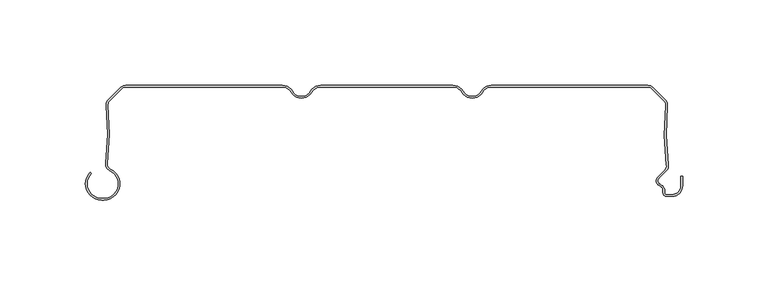
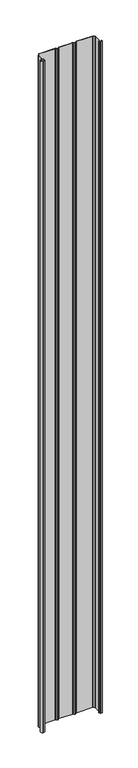
"""IFC4 building model written with IfcOpenShell, lengths in millimetres: plate geometry."""

from ifc_helpers import new_model, si_unit, point, frame_2d, origin, origin_with_axes, place, context, project, spatial, polyline, circle_curve, trimmed, segment, composite_curve, outline, extrude, source, transform, mapped, element, save


def plate_f50256ed(model_context):
    return source(origin(), model_context, "Body", "SweptSolid", [
        extrude(outline(composite_curve([segment(polyline([(-167.0602536, -66.1554676), (-165.8062536, -66.1554676)]), True, "CONTINUOUS"), segment(trimmed(circle_curve(frame_2d((-165.8062536, -57.6554676)), 8.5), [point((-165.8062536, -66.1554676))], [point((-162.2922983, -49.9158218))], True, "CARTESIAN"), True, "CONTINUOUS"), segment(trimmed(circle_curve(frame_2d((-160.5973316, -46.1825808)), 4.1), [point((-162.2922983, -49.9158218))], [point((-164.6663398, -45.6794186))], False, "CARTESIAN"), True, "CONTINUOUS"), segment(trimmed(circle_curve(frame_2d((-313.5324935, -27.2710429)), 150.0), [point((-164.6663398, -45.6794186))], [point((-164.32984, -11.8253904))], True, "CARTESIAN"), True, "CONTINUOUS"), segment(trimmed(circle_curve(frame_2d((-160.2516341, -11.4032093)), 4.1), [point((-164.32984, -11.8253904))], [point((-163.1507719, -8.5040715))], False, "CARTESIAN"), True, "CONTINUOUS"), segment(polyline([(-163.1507719, -8.5040715), (-155.8475626, -1.2008622)]), True, "CONTINUOUS"), segment(trimmed(circle_curve(frame_2d((-152.9484248, -4.1)), 4.1), [point((-155.8475626, -1.2008622))], [point((-152.9484248, 0.0))], False, "CARTESIAN"), True, "CONTINUOUS"), segment(polyline([(-152.9484248, 0.0), (-61.2583302, 0.0)]), True, "CONTINUOUS"), segment(trimmed(circle_curve(frame_2d((-61.2583302, -7.0)), 7.0), [point((-61.2583302, 0.0))], [point((-55.1961524, -3.5))], False, "CARTESIAN"), True, "CONTINUOUS"), segment(trimmed(circle_curve(frame_2d((-50.0, -0.5)), 6.0), [point((-55.1961524, -3.5))], [point((-50.0, -6.5))], True, "CARTESIAN"), True, "CONTINUOUS"), segment(trimmed(circle_curve(frame_2d((-50.0, -0.5)), 6.0), [point((-50.0, -6.5))], [point((-44.8038476, -3.5))], True, "CARTESIAN"), True, "CONTINUOUS"), segment(trimmed(circle_curve(frame_2d((-38.7416698, -7.0)), 7.0), [point((-44.8038476, -3.5))], [point((-38.7416698, 0.0))], False, "CARTESIAN"), True, "CONTINUOUS"), segment(polyline([(-38.7416698, 0.0), (38.7416698, 0.0)]), True, "CONTINUOUS"), segment(trimmed(circle_curve(frame_2d((38.7416698, -7.0)), 7.0), [point((38.7416698, 0.0))], [point((44.8038476, -3.5))], False, "CARTESIAN"), True, "CONTINUOUS"), segment(trimmed(circle_curve(frame_2d((50.0, -0.5)), 6.0), [point((44.8038476, -3.5))], [point((50.0, -6.5))], True, "CARTESIAN"), True, "CONTINUOUS"), segment(trimmed(circle_curve(frame_2d((50.0, -0.5)), 6.0), [point((50.0, -6.5))], [point((55.1961524, -3.5))], True, "CARTESIAN"), True, "CONTINUOUS"), segment(trimmed(circle_curve(frame_2d((61.2583302, -7.0)), 7.0), [point((55.1961524, -3.5))], [point((61.2583302, 0.0))], False, "CARTESIAN"), True, "CONTINUOUS"), segment(polyline([(61.2583302, 0.0), (152.9484248, 0.0)]), True, "CONTINUOUS"), segment(trimmed(circle_curve(frame_2d((152.9484248, -4.1)), 4.1), [point((152.9484248, 0.0))], [point((155.8475626, -1.2008622))], False, "CARTESIAN"), True, "CONTINUOUS"), segment(polyline([(155.8475626, -1.2008622), (163.1502639, -8.5035635)]), True, "CONTINUOUS"), segment(trimmed(circle_curve(frame_2d((160.2511261, -11.4027013)), 4.1), [point((163.1502639, -8.5035635))], [point((164.3293418, -11.8247881))], False, "CARTESIAN"), True, "CONTINUOUS"), segment(trimmed(circle_curve(frame_2d((313.5323525, -27.2669893)), 150.0), [point((164.3293418, -11.8247881))], [point((164.7850442, -46.6122279))], True, "CARTESIAN"), True, "CONTINUOUS"), segment(trimmed(circle_curve(frame_2d((160.4914801, -47.1706247)), 4.3297228), [point((164.7850442, -46.6122279))], [point((163.4270442, -50.3532279))], False, "CARTESIAN"), True, "CONTINUOUS"), segment(polyline([(163.4270442, -50.3532279), (159.3931689, -54.3871033)]), True, "CONTINUOUS"), segment(trimmed(circle_curve(frame_2d((160.9488038, -55.9427382)), 2.2), [point((159.3931689, -54.3871033))], [point((160.1238712, -57.98222))], True, "CARTESIAN"), True, "CONTINUOUS"), segment(trimmed(circle_curve(frame_2d((158.549, -61.8757763)), 4.2), [point((160.1238712, -57.98222))], [point((162.749, -61.8757763))], False, "CARTESIAN"), True, "CONTINUOUS"), segment(polyline([(162.749, -61.8757763), (162.749, -63.0)]), True, "CONTINUOUS"), segment(trimmed(circle_curve(frame_2d((163.749, -63.0)), 1.0), [point((162.749, -63.0))], [point((163.749, -64.0))], True, "CARTESIAN"), True, "CONTINUOUS"), segment(polyline([(163.749, -64.0), (167.05, -64.0)]), True, "CONTINUOUS"), segment(trimmed(circle_curve(frame_2d((167.05, -58.8)), 5.2), [point((167.05, -64.0))], [point((172.25, -58.8))], True, "CARTESIAN"), True, "CONTINUOUS"), segment(polyline([(172.25, -58.8), (172.25, -53.169), (173.25, -53.169), (173.25, -58.8)]), True, "CONTINUOUS"), segment(trimmed(circle_curve(frame_2d((167.05, -58.8)), 6.2), [point((173.25, -58.8))], [point((167.05, -65.0))], False, "CARTESIAN"), True, "CONTINUOUS"), segment(polyline([(167.05, -65.0), (163.749, -65.0)]), True, "CONTINUOUS"), segment(trimmed(circle_curve(frame_2d((163.749, -63.0)), 2.0), [point((163.749, -65.0))], [point((161.749, -63.0))], False, "CARTESIAN"), True, "CONTINUOUS"), segment(polyline([(161.749, -63.0), (161.749, -61.8757763)]), True, "CONTINUOUS"), segment(trimmed(circle_curve(frame_2d((158.549, -61.8757763)), 3.2), [point((161.749, -61.8757763))], [point((159.7489019, -58.9092572))], True, "CARTESIAN"), True, "CONTINUOUS"), segment(trimmed(circle_curve(frame_2d((160.9488038, -55.9427382)), 3.2), [point((159.7489019, -58.9092572))], [point((158.6860621, -53.6799965))], False, "CARTESIAN"), True, "CONTINUOUS"), segment(polyline([(158.6860621, -53.6799965), (162.7351433, -49.6309152)]), True, "CONTINUOUS"), segment(trimmed(circle_curve(frame_2d((160.4914801, -47.1706247)), 3.3297228), [point((162.7351433, -49.6309152))], [point((163.7933955, -46.7411962))], True, "CARTESIAN"), True, "CONTINUOUS"), segment(trimmed(circle_curve(frame_2d((313.5323525, -27.2669893)), 151.0), [point((163.7933955, -46.7411962))], [point((163.334655, -11.7218401))], False, "CARTESIAN"), True, "CONTINUOUS"), segment(trimmed(circle_curve(frame_2d((160.2511261, -11.4027013)), 3.1), [point((163.334655, -11.7218401))], [point((162.4431572, -9.2106703))], True, "CARTESIAN"), True, "CONTINUOUS"), segment(polyline([(162.4431572, -9.2106703), (155.1404559, -1.907969)]), True, "CONTINUOUS"), segment(trimmed(circle_curve(frame_2d((152.9484248, -4.1)), 3.1), [point((155.1404559, -1.907969))], [point((152.9484248, -1.0))], True, "CARTESIAN"), True, "CONTINUOUS"), segment(polyline([(152.9484248, -1.0), (61.2583302, -1.0)]), True, "CONTINUOUS"), segment(trimmed(circle_curve(frame_2d((61.2583302, -7.0)), 6.0), [point((61.2583302, -1.0))], [point((56.0621778, -4.0))], True, "CARTESIAN"), True, "CONTINUOUS"), segment(trimmed(circle_curve(frame_2d((50.0, -0.5)), 7.0), [point((56.0621778, -4.0))], [point((50.0, -7.5))], False, "CARTESIAN"), True, "CONTINUOUS"), segment(trimmed(circle_curve(frame_2d((50.0, -0.5)), 7.0), [point((50.0, -7.5))], [point((43.9378222, -4.0))], False, "CARTESIAN"), True, "CONTINUOUS"), segment(trimmed(circle_curve(frame_2d((38.7416698, -7.0)), 6.0), [point((43.9378222, -4.0))], [point((38.7416698, -1.0))], True, "CARTESIAN"), True, "CONTINUOUS"), segment(polyline([(38.7416698, -1.0), (-38.7416698, -1.0)]), True, "CONTINUOUS"), segment(trimmed(circle_curve(frame_2d((-38.7416698, -7.0)), 6.0), [point((-38.7416698, -1.0))], [point((-43.9378222, -4.0))], True, "CARTESIAN"), True, "CONTINUOUS"), segment(trimmed(circle_curve(frame_2d((-50.0, -0.5)), 7.0), [point((-43.9378222, -4.0))], [point((-50.0, -7.5))], False, "CARTESIAN"), True, "CONTINUOUS"), segment(trimmed(circle_curve(frame_2d((-50.0, -0.5)), 7.0), [point((-50.0, -7.5))], [point((-56.0621778, -4.0))], False, "CARTESIAN"), True, "CONTINUOUS"), segment(trimmed(circle_curve(frame_2d((-61.2583302, -7.0)), 6.0), [point((-56.0621778, -4.0))], [point((-61.2583302, -1.0))], True, "CARTESIAN"), True, "CONTINUOUS"), segment(polyline([(-61.2583302, -1.0), (-152.9484248, -1.0)]), True, "CONTINUOUS"), segment(trimmed(circle_curve(frame_2d((-152.9484248, -4.1)), 3.1), [point((-152.9484248, -1.0))], [point((-155.1404559, -1.907969))], True, "CARTESIAN"), True, "CONTINUOUS"), segment(polyline([(-155.1404559, -1.907969), (-162.4436651, -9.2111782)]), True, "CONTINUOUS"), segment(trimmed(circle_curve(frame_2d((-160.2516341, -11.4032093)), 3.1), [point((-162.4436651, -9.2111782))], [point((-163.3351556, -11.7224194))], True, "CARTESIAN"), True, "CONTINUOUS"), segment(trimmed(circle_curve(frame_2d((-313.5324935, -27.2710429)), 151.0), [point((-163.3351556, -11.7224194))], [point((-163.6738988, -45.8021411))], False, "CARTESIAN"), True, "CONTINUOUS"), segment(trimmed(circle_curve(frame_2d((-160.5973316, -46.1825808)), 3.1), [point((-163.6738988, -45.8021411))], [point((-161.8788918, -49.0052752))], True, "CARTESIAN"), True, "CONTINUOUS"), segment(trimmed(circle_curve(frame_2d((-165.8062536, -57.6554676)), 9.5), [point((-161.8788918, -49.0052752))], [point((-165.8062536, -67.1554676))], False, "CARTESIAN"), True, "CONTINUOUS"), segment(polyline([(-165.8062536, -67.1554676), (-167.0602536, -67.1554676)]), True, "CONTINUOUS"), segment(trimmed(circle_curve(frame_2d((-167.0602536, -57.6554676)), 9.5), [point((-167.0602536, -67.1554676))], [point((-173.777768, -50.9379532))], False, "CARTESIAN"), True, "CONTINUOUS"), segment(polyline([(-173.777768, -50.9379532), (-173.0706612, -51.64506)]), True, "CONTINUOUS"), segment(trimmed(circle_curve(frame_2d((-167.0602536, -57.6554676)), 8.5), [point((-173.0706612, -51.64506))], [point((-167.0602536, -66.1554676))], True, "CARTESIAN"), True, "CONTINUOUS")], self_intersect=False)), origin_with_axes(), (0.0, 0.0, 1.0), 4061.7064475),
    ])


if __name__ == "__main__":
    model = new_model("IFC4")
    model_context = context("Model", 3, world=origin())
    ifc_project = project(units=[si_unit("LENGTHUNIT", "METRE", prefix="MILLI")], contexts=[model_context])
    site = spatial("IfcSite", under=ifc_project)
    building = spatial("IfcBuilding", under=site)
    placement = place(None, origin())
    plate_shape = plate_f50256ed(model_context)
    element("IfcPlate", 1, at=placement, inside=building, context=model_context, shape_type="MappedRepresentation", body=[
        mapped(plate_shape, transform((0.0, 0.0, 0.0), x_axis=(1.0, 0.0, 0.0), y_axis=(0.0, 1.0, 0.0), z_axis=(0.0, 0.0, 1.0))),
    ])
    save(model, "model.ifc")
